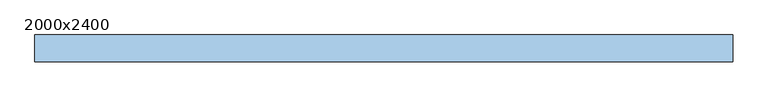
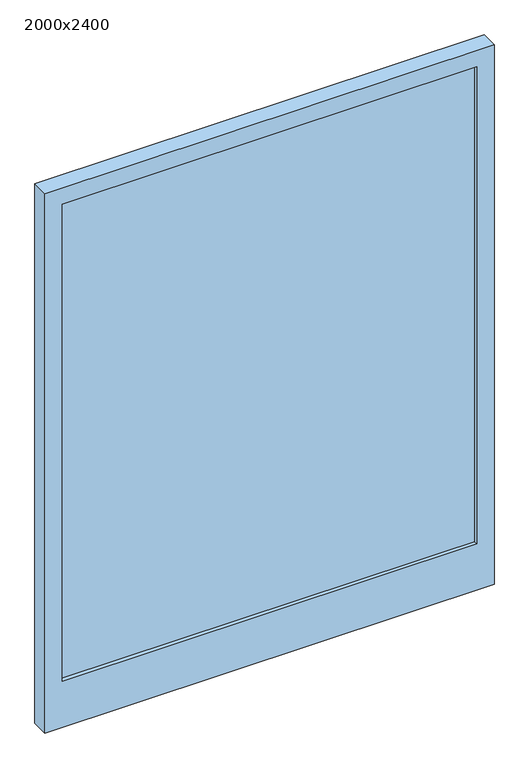
"""IFC4 building model written with IfcOpenShell, lengths in millimetres: window geometry, 2000x2400."""

import ifcopenshell
import ifcopenshell.guid

model = None  # the IFC model being written
_history = None  # IfcOwnerHistory: only IFC2X3 demands one
_inside = {}  # id of a spatial element -> (the spatial element, [elements in it])
_under = {}  # id of a project, library or spatial element -> (it, [spatial elements below it])
_declared = {}  # id of a project -> (the project, [libraries it declares])
_typed = {}  # id of a type object -> (the type object, [elements of that type])
_made_of = {}  # id of a material, layer set ... -> (it, [elements and type objects made of it])


def new_model(schema):
    """Start an empty IFC model of exactly this schema.

    Asked for "IFC4X3", IfcOpenShell would pick the latest addendum, in which some entities
    have other attributes; the version numbers below select the first issue.
    IFC2X3 requires an IfcOwnerHistory on every rooted entity: one is made here for all.
    """
    global model, _history
    if schema == "IFC4X3":
        model = ifcopenshell.file(schema_version=(4, 3, 0, 0))
    else:
        model = ifcopenshell.file(schema=schema)
    _inside.clear()
    _under.clear()
    _declared.clear()
    _typed.clear()
    _made_of.clear()
    _history = None
    if model.schema == "IFC2X3":
        org = make("IfcOrganization", Name="unknown")
        user = make(
            "IfcPersonAndOrganization",
            ThePerson=make("IfcPerson", FamilyName="unknown"),
            TheOrganization=org,
        )
        app = make(
            "IfcApplication",
            ApplicationDeveloper=org,
            Version="unknown",
            ApplicationFullName="unknown",
            ApplicationIdentifier="unknown",
        )
        _history = make(
            "IfcOwnerHistory",
            OwningUser=user,
            OwningApplication=app,
            ChangeAction="ADDED",
            CreationDate=0,
        )
    return model


def make(cls, **values):
    """One entity of the class cls with the attributes given. An attribute that is None is left unset."""
    return model.create_entity(
        cls, **{name: value for name, value in values.items() if value is not None}
    )


def rooted(cls, **values):
    """An entity with a GlobalId (a new one), such as an element, a storey or a relation."""
    return make(cls, GlobalId=ifcopenshell.guid.new(), OwnerHistory=_history, **values)


def si_unit(unit_type, name, prefix=None):
    """IfcSIUnit, for example si_unit("LENGTHUNIT", "METRE", prefix="MILLI")."""
    return make("IfcSIUnit", UnitType=unit_type, Prefix=prefix, Name=name)


def assignment(units):
    """IfcUnitAssignment: the units of a project."""
    return None if units is None else make("IfcUnitAssignment", Units=units)


def point(xyz):
    """IfcCartesianPoint."""
    return None if xyz is None else make("IfcCartesianPoint", Coordinates=xyz)


def direction(xyz):
    """IfcDirection."""
    return None if xyz is None else make("IfcDirection", DirectionRatios=xyz)


def frame(location, z_axis=None, x_axis=None):
    """IfcAxis2Placement3D, a coordinate frame: its origin and axes. An axis left out is left unset."""
    return make(
        "IfcAxis2Placement3D",
        Location=point(location),
        Axis=direction(z_axis),
        RefDirection=direction(x_axis),
    )


def origin():
    """The frame at (0, 0, 0) with its axes left unset."""
    return frame((0.0, 0.0, 0.0))


def place(relative_to, where):
    """IfcLocalPlacement: puts the frame where relative to a parent placement (None: the world)."""
    return make(
        "IfcLocalPlacement", PlacementRelTo=relative_to, RelativePlacement=where
    )


def context(
    kind, dimensions, precision=None, world=None, true_north=None, identifier=None
):
    """IfcGeometricRepresentationContext, for example the 3D "Model" context."""
    return make(
        "IfcGeometricRepresentationContext",
        ContextIdentifier=identifier,
        ContextType=kind,
        CoordinateSpaceDimension=dimensions,
        Precision=precision,
        WorldCoordinateSystem=world,
        TrueNorth=true_north,
    )


def project(units=None, contexts=None):
    """IfcProject with its units and contexts."""
    return rooted(
        "IfcProject",
        Name="project",
        RepresentationContexts=contexts,
        UnitsInContext=assignment(units),
    )


def spatial(cls, under=None, at=None, **own):
    """A site, building, storey or space (cls), placed at a placement, below another one or the project."""
    s = rooted(cls, ObjectPlacement=at, **own)
    if under is not None:
        _under.setdefault(under.id(), (under, []))[1].append(s)
    return s


def polyline(points):
    """IfcPolyline through the points."""
    return make("IfcPolyline", Points=[point(p) for p in points])


def outline(outer, holes=None, kind="AREA"):
    """IfcArbitraryClosedProfileDef: a profile drawn as a closed curve; with holes, ...WithVoids."""
    if holes is None:
        return make("IfcArbitraryClosedProfileDef", ProfileType=kind, OuterCurve=outer)
    return make(
        "IfcArbitraryProfileDefWithVoids",
        ProfileType=kind,
        OuterCurve=outer,
        InnerCurves=holes,
    )


def extrude(swept, where, along, depth):
    """IfcExtrudedAreaSolid: the profile swept, set in the frame where, extruded along a direction by depth."""
    return make(
        "IfcExtrudedAreaSolid",
        SweptArea=swept,
        Position=where,
        ExtrudedDirection=direction(along),
        Depth=depth,
    )


def shape(context_of_items, identifier, shape_type, items):
    """IfcShapeRepresentation: the items that make up one representation, for example the "Body"."""
    return make(
        "IfcShapeRepresentation",
        ContextOfItems=context_of_items,
        RepresentationIdentifier=identifier,
        RepresentationType=shape_type,
        Items=items,
    )


def source(mapping_origin, context_of_items, identifier, shape_type, items):
    """IfcRepresentationMap: a shape defined once, which mapped items show again and again."""
    return make(
        "IfcRepresentationMap",
        MappingOrigin=mapping_origin,
        MappedRepresentation=shape(context_of_items, identifier, shape_type, items),
    )


def transform(
    local_origin,
    x_axis=None,
    y_axis=None,
    z_axis=None,
    scale=None,
    scale2=None,
    scale3=None,
    uniform=True,
):
    """IfcCartesianTransformationOperator3D, or its non-uniform kind. x_axis, y_axis, z_axis: its Axis1, 2, 3."""
    if uniform:
        return make(
            "IfcCartesianTransformationOperator3D",
            Axis1=direction(x_axis),
            Axis2=direction(y_axis),
            LocalOrigin=point(local_origin),
            Scale=scale,
            Axis3=direction(z_axis),
        )
    return make(
        "IfcCartesianTransformationOperator3DnonUniform",
        Axis1=direction(x_axis),
        Axis2=direction(y_axis),
        LocalOrigin=point(local_origin),
        Scale=scale,
        Axis3=direction(z_axis),
        Scale2=scale2,
        Scale3=scale3,
    )


def mapped(mapping_source, mapping_target):
    """IfcMappedItem: shows the shape of a source again, moved by a transform."""
    return make(
        "IfcMappedItem", MappingSource=mapping_source, MappingTarget=mapping_target
    )


def made_of(thing, what):
    """Note that an element or type object is made of a material, layer set ...; save() writes the relation."""
    if what is not None:
        _made_of.setdefault(what.id(), (what, []))[1].append(thing)
    return thing


def element(
    cls,
    number,
    at=None,
    inside=None,
    cuts=None,
    type_object=None,
    material=None,
    context=None,
    identifier="Body",
    shape_type=None,
    held_by="IfcProductDefinitionShape",
    body=None,
    shapes=None,
    **own,
):
    """One element of the class cls, such as IfcWall. Its Tag is "e" and its number.

    at: its placement. inside: the storey or other place that contains it. cuts: it is an
    opening in that element (IfcRelVoidsElement). A single representation is given by context,
    identifier, shape_type and body (its items); several are given by shapes. held_by: the class
    of the entity that holds the representations. save() writes the other relations.
    """
    e = rooted(cls, Tag="e%d" % number, ObjectPlacement=at, **own)
    if body is not None:
        shapes = [shape(context, identifier, shape_type, body)]
    if shapes is not None:
        e.Representation = make(held_by, Representations=shapes)
    if inside is not None:
        _inside.setdefault(inside.id(), (inside, []))[1].append(e)
    if cuts is not None:
        rooted(
            "IfcRelVoidsElement", RelatingBuildingElement=cuts, RelatedOpeningElement=e
        )
    if type_object is not None:
        _typed.setdefault(type_object.id(), (type_object, []))[1].append(e)
    return made_of(e, material)


def aggregate(whole, parts):
    """IfcRelAggregates: a whole, such as a stair, and the parts it consists of."""
    return rooted("IfcRelAggregates", RelatingObject=whole, RelatedObjects=parts)


def save(model, path):
    """Write the relations noted so far, then the file.

    IfcRelAggregates (storeys below a building ...), IfcRelContainedInSpatialStructure (elements
    in a storey), IfcRelDefinesByType, IfcRelAssociatesMaterial and IfcRelDeclares: one each for
    every whole, place, type object, material and project.
    """
    for whole, parts in _under.values():
        aggregate(whole, parts)
    for where, things in _inside.values():
        rooted(
            "IfcRelContainedInSpatialStructure",
            RelatedElements=things,
            RelatingStructure=where,
        )
    for kind, things in _typed.values():
        rooted("IfcRelDefinesByType", RelatedObjects=things, RelatingType=kind)
    for what, things in _made_of.values():
        rooted("IfcRelAssociatesMaterial", RelatedObjects=things, RelatingMaterial=what)
    for by, libraries in _declared.values():
        rooted("IfcRelDeclares", RelatingContext=by, RelatedDefinitions=libraries)
    model.write(path)


def window_2000x2400_41ccfde7(model_context):
    return source(origin(), model_context, "Body", "SweptSolid", [
        extrude(outline(polyline([(923.0, 107.0), (923.0, 63.0), (-923.0, 63.0), (-923.0, 107.0), (923.0, 107.0)])), frame((0.0, 0.0, 77.0), z_axis=(0.0, 0.0, 1.0), x_axis=(1.0, 0.0, 0.0)), (0.0, 0.0, 1.0), 2246.0),
        extrude(outline(polyline([(2400.0, 1000.0), (2400.0, -1000.0), (-140.0, -1000.0), (-140.0, 1000.0), (2400.0, 1000.0)]), holes=[polyline([(2323.0, -923.0), (2323.0, 923.0), (77.0, 923.0), (77.0, -923.0), (2323.0, -923.0)])]), frame((0.0, 45.0, 0.0), z_axis=(0.0, 1.0, 0.0), x_axis=(0.0, 0.0, 1.0)), (0.0, 0.0, 1.0), 77.0),
    ])


if __name__ == "__main__":
    model = new_model("IFC4")
    model_context = context("Model", 3, world=origin())
    ifc_project = project(units=[si_unit("LENGTHUNIT", "METRE", prefix="MILLI")], contexts=[model_context])
    site = spatial("IfcSite", under=ifc_project)
    building = spatial("IfcBuilding", under=site)
    placement = place(None, origin())
    window_2000x2400_shape = window_2000x2400_41ccfde7(model_context)
    element("IfcWindow", 1, ObjectType="2000x2400", at=placement, inside=building, context=model_context, shape_type="MappedRepresentation", body=[
        mapped(window_2000x2400_shape, transform((0.0, 0.0, 0.0), x_axis=(1.0, 0.0, 0.0), y_axis=(0.0, 1.0, 0.0), z_axis=(0.0, 0.0, 1.0))),
    ])
    save(model, "model.ifc")
